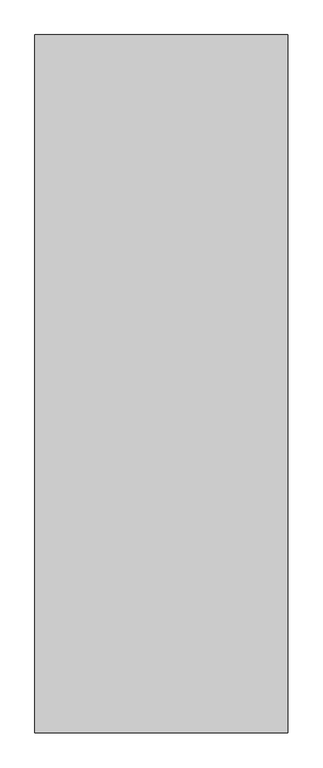
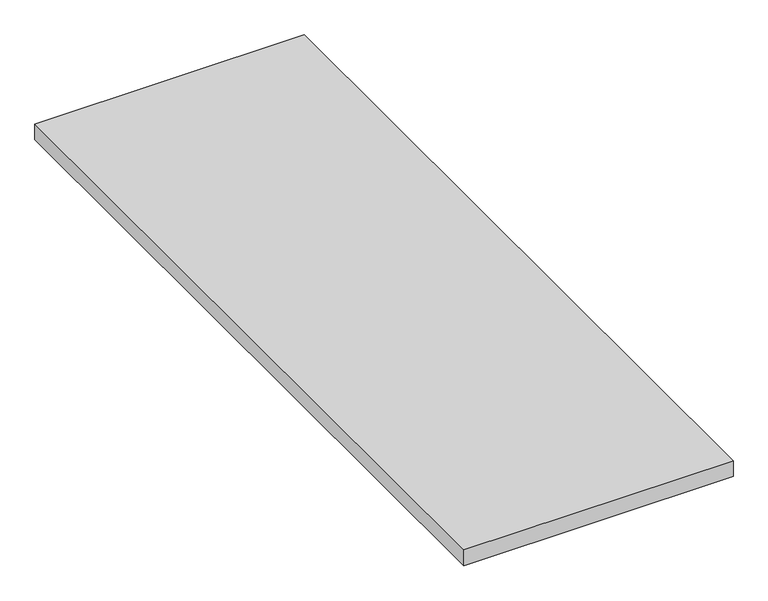
"""IFC4 building model written with IfcOpenShell, lengths in millimetres: proxy geometry."""

from ifc_helpers import new_model, si_unit, frame, origin, place, context, project, spatial, polyline, outline, extrude, source, transform, mapped, element, save


def generic_models_7c71c90b(model_context):
    return source(origin(), model_context, "Body", "SweptSolid", [
        extrude(outline(polyline([(863.0, 69.0), (27.5, 69.0), (27.5, 2376.0), (863.0, 2376.0), (863.0, 69.0)])), frame((0.0, 0.0, -68.0), z_axis=(0.0, 0.0, 1.0), x_axis=(1.0, 0.0, 0.0)), (0.0, 0.0, 1.0), 52.0),
    ])


if __name__ == "__main__":
    model = new_model("IFC4")
    model_context = context("Model", 3, world=origin())
    ifc_project = project(units=[si_unit("LENGTHUNIT", "METRE", prefix="MILLI")], contexts=[model_context])
    site = spatial("IfcSite", under=ifc_project)
    building = spatial("IfcBuilding", under=site)
    placement = place(None, origin())
    generic_models_shape = generic_models_7c71c90b(model_context)
    element("IfcBuildingElementProxy", 1, Name="Generic Models", at=placement, inside=building, context=model_context, shape_type="MappedRepresentation", body=[
        mapped(generic_models_shape, transform((0.0, 0.0, 0.0), x_axis=(1.0, 0.0, 0.0), y_axis=(0.0, 1.0, 0.0), z_axis=(0.0, 0.0, 1.0))),
    ])
    save(model, "model.ifc")
